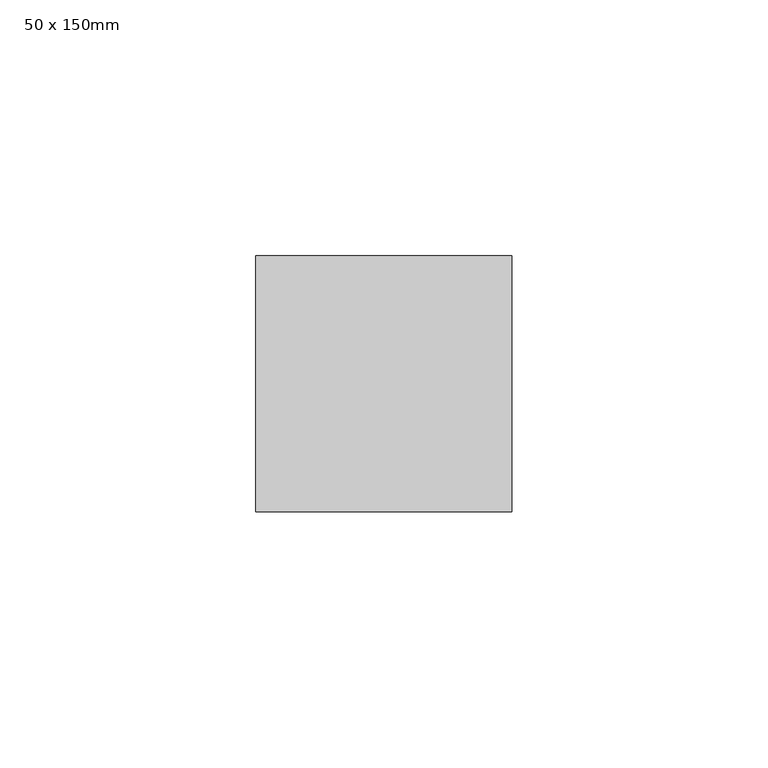
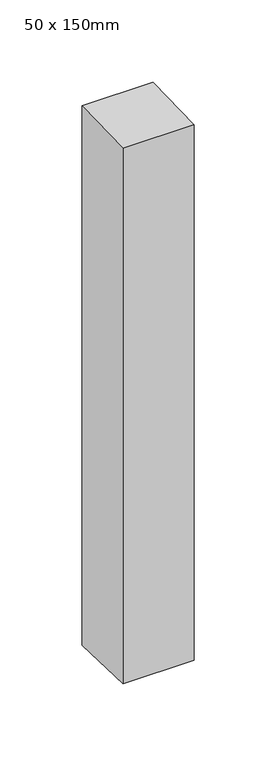
"""IFC4 building model written with IfcOpenShell, lengths in millimetres: member geometry, 50 x 150mm."""

from ifc_helpers import new_model, si_unit, frame, origin, place, context, project, spatial, polyline, outline, extrude, source, transform, mapped, element, save


def member_50_x_150mm_7981141b(model_context):
    return source(origin(), model_context, "Body", "SweptSolid", [
        extrude(outline(polyline([(-25.0, -0.7898676), (25.0, 0.7898676), (25.0, -400.7898676), (-25.0, -399.2101324), (-25.0, -0.7898676)])), frame((-25.0, 0.0, 0.0), z_axis=(1.0, 0.0, 0.0), x_axis=(0.0, 1.0, 0.0)), (0.0, 0.0, 1.0), 50.0),
    ])


if __name__ == "__main__":
    model = new_model("IFC4")
    model_context = context("Model", 3, world=origin())
    ifc_project = project(units=[si_unit("LENGTHUNIT", "METRE", prefix="MILLI")], contexts=[model_context])
    site = spatial("IfcSite", under=ifc_project)
    building = spatial("IfcBuilding", under=site)
    placement = place(None, origin())
    member_50_x_150mm_shape = member_50_x_150mm_7981141b(model_context)
    element("IfcMember", 1, ObjectType="50 x 150mm", at=placement, inside=building, context=model_context, shape_type="MappedRepresentation", body=[
        mapped(member_50_x_150mm_shape, transform((0.0, 0.0, 0.0), x_axis=(1.0, 0.0, 0.0), y_axis=(0.0, 1.0, 0.0), z_axis=(0.0, 0.0, 1.0))),
    ])
    save(model, "model.ifc")
